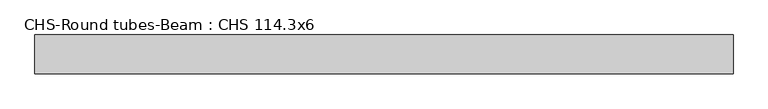
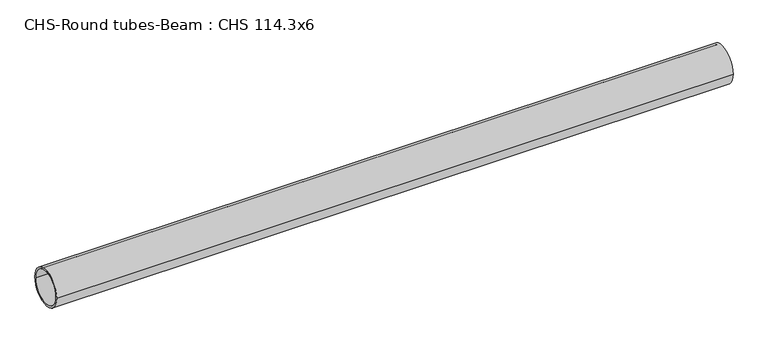
"""IFC4 building model written with IfcOpenShell, lengths in millimetres: beam geometry, CHS-Round tubes-Beam : CHS 114.3x6."""

from ifc_helpers import new_model, si_unit, point, frame, origin, origin_2d, place, context, project, spatial, circle_curve, trimmed, segment, composite_curve, outline, extrude, source, transform, mapped, element, save


def chs_round_tubes_beam_chs_114_3x6_0ec7312e(model_context):
    return source(origin(), model_context, "Body", "SweptSolid", [
        extrude(outline(composite_curve([segment(trimmed(circle_curve(origin_2d(), 57.15), [point((57.15, 0.0))], [point((-57.15, 0.0))], False, "CARTESIAN"), True, "CONTINUOUS"), segment(trimmed(circle_curve(origin_2d(), 57.15), [point((-57.15, 0.0))], [point((57.15, 0.0))], False, "CARTESIAN"), True, "CONTINUOUS")], self_intersect=False), holes=[composite_curve([segment(trimmed(circle_curve(origin_2d(), 51.15), [point((51.15, 0.0))], [point((-51.15, 0.0))], True, "CARTESIAN"), True, "CONTINUOUS"), segment(trimmed(circle_curve(origin_2d(), 51.15), [point((-51.15, 0.0))], [point((51.15, 0.0))], True, "CARTESIAN"), True, "CONTINUOUS")], self_intersect=False)]), frame((-1021.3151572, 0.0, 0.0), z_axis=(1.0, 0.0, 0.0), x_axis=(0.0, 1.0, 0.0)), (0.0, 0.0, 1.0), 2062.7094637),
    ])


if __name__ == "__main__":
    model = new_model("IFC4")
    model_context = context("Model", 3, world=origin())
    ifc_project = project(units=[si_unit("LENGTHUNIT", "METRE", prefix="MILLI")], contexts=[model_context])
    site = spatial("IfcSite", under=ifc_project)
    building = spatial("IfcBuilding", under=site)
    placement = place(None, origin())
    chs_round_tubes_beam_chs_114_3x6_shape = chs_round_tubes_beam_chs_114_3x6_0ec7312e(model_context)
    element("IfcBeam", 1, ObjectType="CHS-Round tubes-Beam : CHS 114.3x6", at=placement, inside=building, context=model_context, shape_type="MappedRepresentation", body=[
        mapped(chs_round_tubes_beam_chs_114_3x6_shape, transform((0.0, 0.0, 0.0), x_axis=(1.0, 0.0, 0.0), y_axis=(0.0, 1.0, 0.0), z_axis=(0.0, 0.0, 1.0))),
    ])
    save(model, "model.ifc")
